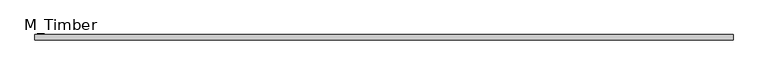
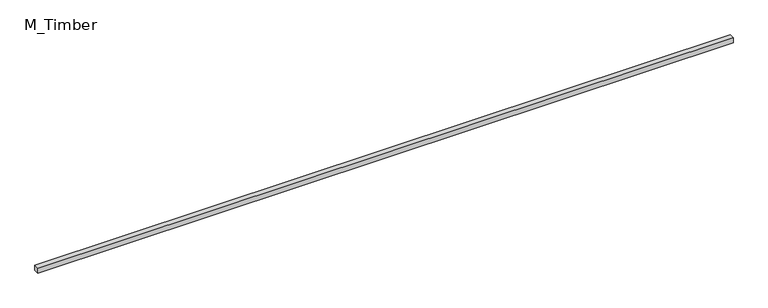
"""IFC4 building model written with IfcOpenShell, lengths in millimetres: beam geometry, M_Timber."""

from ifc_helpers import new_model, si_unit, frame, origin, place, context, project, spatial, polyline, outline, extrude, source, transform, mapped, element, save


def m_timber_512e15d3(model_context):
    return source(origin(), model_context, "Body", "SweptSolid", [
        extrude(outline(polyline([(2653.5930469, 20.0), (2653.5930469, -20.0), (-2653.5930469, -20.0), (-2653.5930469, 20.0), (2653.5930469, 20.0)])), frame((0.0, 0.0, -20.0), z_axis=(0.0, 0.0, 1.0), x_axis=(1.0, 0.0, 0.0)), (0.0, 0.0, 1.0), 40.0),
    ])


if __name__ == "__main__":
    model = new_model("IFC4")
    model_context = context("Model", 3, world=origin())
    ifc_project = project(units=[si_unit("LENGTHUNIT", "METRE", prefix="MILLI")], contexts=[model_context])
    site = spatial("IfcSite", under=ifc_project)
    building = spatial("IfcBuilding", under=site)
    placement = place(None, origin())
    m_timber_shape = m_timber_512e15d3(model_context)
    element("IfcBeam", 1, ObjectType="M_Timber", at=placement, inside=building, context=model_context, shape_type="MappedRepresentation", body=[
        mapped(m_timber_shape, transform((0.0, 0.0, 0.0), x_axis=(1.0, 0.0, 0.0), y_axis=(0.0, 1.0, 0.0), z_axis=(0.0, 0.0, 1.0))),
    ])
    save(model, "model.ifc")
